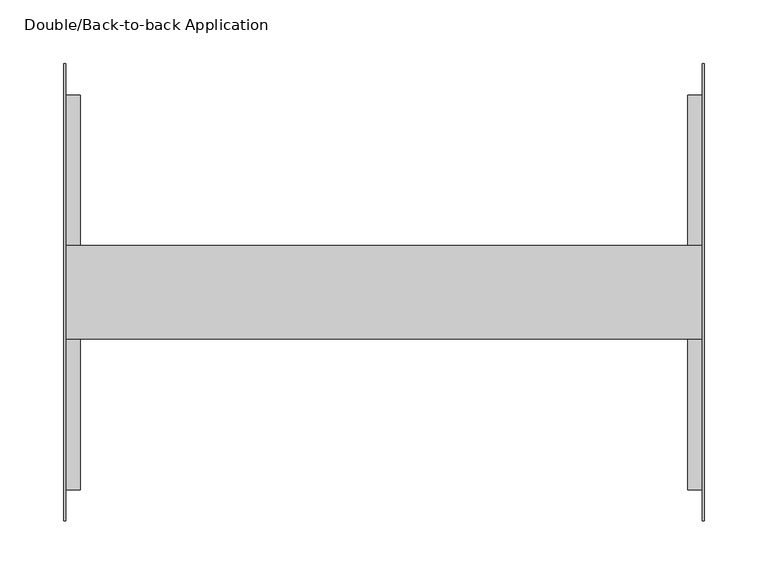
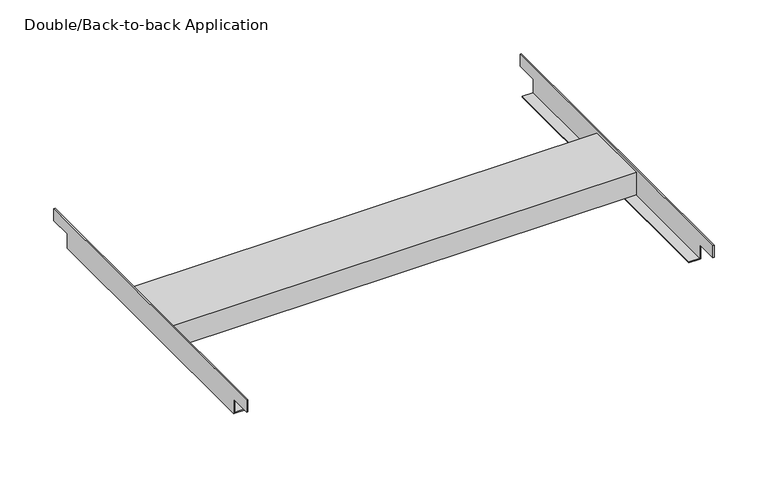
"""IFC4 building model written with IfcOpenShell, lengths in millimetres: furniture geometry, Double/Back-to-back Application."""

import ifcopenshell
import ifcopenshell.guid

model = None  # the IFC model being written
_history = None  # IfcOwnerHistory: only IFC2X3 demands one
_inside = {}  # id of a spatial element -> (the spatial element, [elements in it])
_under = {}  # id of a project, library or spatial element -> (it, [spatial elements below it])
_declared = {}  # id of a project -> (the project, [libraries it declares])
_typed = {}  # id of a type object -> (the type object, [elements of that type])
_made_of = {}  # id of a material, layer set ... -> (it, [elements and type objects made of it])


def new_model(schema):
    """Start an empty IFC model of exactly this schema.

    Asked for "IFC4X3", IfcOpenShell would pick the latest addendum, in which some entities
    have other attributes; the version numbers below select the first issue.
    IFC2X3 requires an IfcOwnerHistory on every rooted entity: one is made here for all.
    """
    global model, _history
    if schema == "IFC4X3":
        model = ifcopenshell.file(schema_version=(4, 3, 0, 0))
    else:
        model = ifcopenshell.file(schema=schema)
    _inside.clear()
    _under.clear()
    _declared.clear()
    _typed.clear()
    _made_of.clear()
    _history = None
    if model.schema == "IFC2X3":
        org = make("IfcOrganization", Name="unknown")
        user = make(
            "IfcPersonAndOrganization",
            ThePerson=make("IfcPerson", FamilyName="unknown"),
            TheOrganization=org,
        )
        app = make(
            "IfcApplication",
            ApplicationDeveloper=org,
            Version="unknown",
            ApplicationFullName="unknown",
            ApplicationIdentifier="unknown",
        )
        _history = make(
            "IfcOwnerHistory",
            OwningUser=user,
            OwningApplication=app,
            ChangeAction="ADDED",
            CreationDate=0,
        )
    return model


def make(cls, **values):
    """One entity of the class cls with the attributes given. An attribute that is None is left unset."""
    return model.create_entity(
        cls, **{name: value for name, value in values.items() if value is not None}
    )


def rooted(cls, **values):
    """An entity with a GlobalId (a new one), such as an element, a storey or a relation."""
    return make(cls, GlobalId=ifcopenshell.guid.new(), OwnerHistory=_history, **values)


def si_unit(unit_type, name, prefix=None):
    """IfcSIUnit, for example si_unit("LENGTHUNIT", "METRE", prefix="MILLI")."""
    return make("IfcSIUnit", UnitType=unit_type, Prefix=prefix, Name=name)


def assignment(units):
    """IfcUnitAssignment: the units of a project."""
    return None if units is None else make("IfcUnitAssignment", Units=units)


def point(xyz):
    """IfcCartesianPoint."""
    return None if xyz is None else make("IfcCartesianPoint", Coordinates=xyz)


def direction(xyz):
    """IfcDirection."""
    return None if xyz is None else make("IfcDirection", DirectionRatios=xyz)


def frame(location, z_axis=None, x_axis=None):
    """IfcAxis2Placement3D, a coordinate frame: its origin and axes. An axis left out is left unset."""
    return make(
        "IfcAxis2Placement3D",
        Location=point(location),
        Axis=direction(z_axis),
        RefDirection=direction(x_axis),
    )


def origin():
    """The frame at (0, 0, 0) with its axes left unset."""
    return frame((0.0, 0.0, 0.0))


def place(relative_to, where):
    """IfcLocalPlacement: puts the frame where relative to a parent placement (None: the world)."""
    return make(
        "IfcLocalPlacement", PlacementRelTo=relative_to, RelativePlacement=where
    )


def context(
    kind, dimensions, precision=None, world=None, true_north=None, identifier=None
):
    """IfcGeometricRepresentationContext, for example the 3D "Model" context."""
    return make(
        "IfcGeometricRepresentationContext",
        ContextIdentifier=identifier,
        ContextType=kind,
        CoordinateSpaceDimension=dimensions,
        Precision=precision,
        WorldCoordinateSystem=world,
        TrueNorth=true_north,
    )


def project(units=None, contexts=None):
    """IfcProject with its units and contexts."""
    return rooted(
        "IfcProject",
        Name="project",
        RepresentationContexts=contexts,
        UnitsInContext=assignment(units),
    )


def spatial(cls, under=None, at=None, **own):
    """A site, building, storey or space (cls), placed at a placement, below another one or the project."""
    s = rooted(cls, ObjectPlacement=at, **own)
    if under is not None:
        _under.setdefault(under.id(), (under, []))[1].append(s)
    return s


def polyline(points):
    """IfcPolyline through the points."""
    return make("IfcPolyline", Points=[point(p) for p in points])


def outline(outer, holes=None, kind="AREA"):
    """IfcArbitraryClosedProfileDef: a profile drawn as a closed curve; with holes, ...WithVoids."""
    if holes is None:
        return make("IfcArbitraryClosedProfileDef", ProfileType=kind, OuterCurve=outer)
    return make(
        "IfcArbitraryProfileDefWithVoids",
        ProfileType=kind,
        OuterCurve=outer,
        InnerCurves=holes,
    )


def extrude(swept, where, along, depth):
    """IfcExtrudedAreaSolid: the profile swept, set in the frame where, extruded along a direction by depth."""
    return make(
        "IfcExtrudedAreaSolid",
        SweptArea=swept,
        Position=where,
        ExtrudedDirection=direction(along),
        Depth=depth,
    )


def shape(context_of_items, identifier, shape_type, items):
    """IfcShapeRepresentation: the items that make up one representation, for example the "Body"."""
    return make(
        "IfcShapeRepresentation",
        ContextOfItems=context_of_items,
        RepresentationIdentifier=identifier,
        RepresentationType=shape_type,
        Items=items,
    )


def source(mapping_origin, context_of_items, identifier, shape_type, items):
    """IfcRepresentationMap: a shape defined once, which mapped items show again and again."""
    return make(
        "IfcRepresentationMap",
        MappingOrigin=mapping_origin,
        MappedRepresentation=shape(context_of_items, identifier, shape_type, items),
    )


def transform(
    local_origin,
    x_axis=None,
    y_axis=None,
    z_axis=None,
    scale=None,
    scale2=None,
    scale3=None,
    uniform=True,
):
    """IfcCartesianTransformationOperator3D, or its non-uniform kind. x_axis, y_axis, z_axis: its Axis1, 2, 3."""
    if uniform:
        return make(
            "IfcCartesianTransformationOperator3D",
            Axis1=direction(x_axis),
            Axis2=direction(y_axis),
            LocalOrigin=point(local_origin),
            Scale=scale,
            Axis3=direction(z_axis),
        )
    return make(
        "IfcCartesianTransformationOperator3DnonUniform",
        Axis1=direction(x_axis),
        Axis2=direction(y_axis),
        LocalOrigin=point(local_origin),
        Scale=scale,
        Axis3=direction(z_axis),
        Scale2=scale2,
        Scale3=scale3,
    )


def mapped(mapping_source, mapping_target):
    """IfcMappedItem: shows the shape of a source again, moved by a transform."""
    return make(
        "IfcMappedItem", MappingSource=mapping_source, MappingTarget=mapping_target
    )


def made_of(thing, what):
    """Note that an element or type object is made of a material, layer set ...; save() writes the relation."""
    if what is not None:
        _made_of.setdefault(what.id(), (what, []))[1].append(thing)
    return thing


def element(
    cls,
    number,
    at=None,
    inside=None,
    cuts=None,
    type_object=None,
    material=None,
    context=None,
    identifier="Body",
    shape_type=None,
    held_by="IfcProductDefinitionShape",
    body=None,
    shapes=None,
    **own,
):
    """One element of the class cls, such as IfcWall. Its Tag is "e" and its number.

    at: its placement. inside: the storey or other place that contains it. cuts: it is an
    opening in that element (IfcRelVoidsElement). A single representation is given by context,
    identifier, shape_type and body (its items); several are given by shapes. held_by: the class
    of the entity that holds the representations. save() writes the other relations.
    """
    e = rooted(cls, Tag="e%d" % number, ObjectPlacement=at, **own)
    if body is not None:
        shapes = [shape(context, identifier, shape_type, body)]
    if shapes is not None:
        e.Representation = make(held_by, Representations=shapes)
    if inside is not None:
        _inside.setdefault(inside.id(), (inside, []))[1].append(e)
    if cuts is not None:
        rooted(
            "IfcRelVoidsElement", RelatingBuildingElement=cuts, RelatedOpeningElement=e
        )
    if type_object is not None:
        _typed.setdefault(type_object.id(), (type_object, []))[1].append(e)
    return made_of(e, material)


def aggregate(whole, parts):
    """IfcRelAggregates: a whole, such as a stair, and the parts it consists of."""
    return rooted("IfcRelAggregates", RelatingObject=whole, RelatedObjects=parts)


def save(model, path):
    """Write the relations noted so far, then the file.

    IfcRelAggregates (storeys below a building ...), IfcRelContainedInSpatialStructure (elements
    in a storey), IfcRelDefinesByType, IfcRelAssociatesMaterial and IfcRelDeclares: one each for
    every whole, place, type object, material and project.
    """
    for whole, parts in _under.values():
        aggregate(whole, parts)
    for where, things in _inside.values():
        rooted(
            "IfcRelContainedInSpatialStructure",
            RelatedElements=things,
            RelatingStructure=where,
        )
    for kind, things in _typed.values():
        rooted("IfcRelDefinesByType", RelatedObjects=things, RelatingType=kind)
    for what, things in _made_of.values():
        rooted("IfcRelAssociatesMaterial", RelatedObjects=things, RelatingMaterial=what)
    for by, libraries in _declared.values():
        rooted("IfcRelDeclares", RelatingContext=by, RelatedDefinitions=libraries)
    model.write(path)


def double_back_to_back_application_431f9094(model_context):
    return source(origin(), model_context, "Body", "SweptSolid", [
        extrude(outline(polyline([(178.9937983, 696.8815184), (178.9937983, 683.3941149), (154.4954935, 683.3941149), (154.4954935, 666.8841488), (-154.4954935, 666.8841488), (-154.4954935, 683.3941149), (-178.9937983, 683.3941149), (-178.9937983, 696.8815184), (178.9937983, 696.8815184)])), frame((-250.5074927, 0.0, 0.0), z_axis=(1.0, 0.0, 0.0), x_axis=(0.0, 1.0, 0.0)), (0.0, 0.0, 1.0), 1.2699988),
        extrude(outline(polyline([(-39.9922991, 34.9885007), (-39.9922991, -34.9885007), (-119.9768973, -34.9885007), (-119.9768973, 34.9885007), (-39.9922991, 34.9885007)])), frame((0.0, 0.0, 668.1541294), z_axis=(0.0, 0.0, 1.0), x_axis=(1.0, 0.0, 0.0)), (0.0, 0.0, 1.0), 1.2699806),
        extrude(outline(polyline([(119.9768973, 34.9885007), (119.9768973, -34.9885007), (39.9922991, -34.9885007), (39.9922991, 34.9885007), (119.9768973, 34.9885007)])), frame((0.0, 0.0, 668.1541294), z_axis=(0.0, 0.0, 1.0), x_axis=(1.0, 0.0, 0.0)), (0.0, 0.0, 1.0), 1.2699806),
        extrude(outline(polyline([(-36.614101, 693.9605484), (36.614101, 693.9605484), (36.614101, 668.1541294), (35.3440999, 668.1541294), (35.3440999, 692.6904951), (-35.3440999, 692.6904951), (-35.3440999, 668.1541294), (-36.614101, 668.1541294), (-36.614101, 693.9605484)])), frame((-249.2374939, 0.0, 0.0), z_axis=(1.0, 0.0, 0.0), x_axis=(0.0, 1.0, 0.0)), (0.0, 0.0, 1.0), 498.4749879),
        extrude(outline(polyline([(178.9937983, 696.8815184), (178.9937983, 683.3941149), (154.4954935, 683.3941149), (154.4954935, 666.8841488), (-154.4954935, 666.8841488), (-154.4954935, 683.3941149), (-178.9937983, 683.3941149), (-178.9937983, 696.8815184), (178.9937983, 696.8815184)])), frame((249.2374939, 0.0, 0.0), z_axis=(1.0, 0.0, 0.0), x_axis=(0.0, 1.0, 0.0)), (0.0, 0.0, 1.0), 1.2699988),
        extrude(outline(polyline([(-249.2374939, 154.4954935), (-237.5281069, 154.4954935), (-237.5281069, -154.4954935), (-249.2374939, -154.4954935), (-249.2374939, 154.4954935)])), frame((0.0, 0.0, 666.8841488), z_axis=(0.0, 0.0, 1.0), x_axis=(1.0, 0.0, 0.0)), (0.0, 0.0, 1.0), 1.2699806),
        extrude(outline(polyline([(249.2374939, 154.4954935), (249.2374939, -154.4954935), (237.5281069, -154.4954935), (237.5281069, 154.4954935), (249.2374939, 154.4954935)])), frame((0.0, 0.0, 666.8841488), z_axis=(0.0, 0.0, 1.0), x_axis=(1.0, 0.0, 0.0)), (0.0, 0.0, 1.0), 1.2699806),
    ])


if __name__ == "__main__":
    model = new_model("IFC4")
    model_context = context("Model", 3, world=origin())
    ifc_project = project(units=[si_unit("LENGTHUNIT", "METRE", prefix="MILLI")], contexts=[model_context])
    site = spatial("IfcSite", under=ifc_project)
    building = spatial("IfcBuilding", under=site)
    placement = place(None, origin())
    double_back_to_back_application_shape = double_back_to_back_application_431f9094(model_context)
    element("IfcFurniture", 1, ObjectType="Double/Back-to-back Application", at=placement, inside=building, context=model_context, shape_type="MappedRepresentation", body=[
        mapped(double_back_to_back_application_shape, transform((0.0, 0.0, 0.0), x_axis=(1.0, 0.0, 0.0), y_axis=(0.0, 1.0, 0.0), z_axis=(0.0, 0.0, 1.0))),
    ])
    save(model, "model.ifc")
